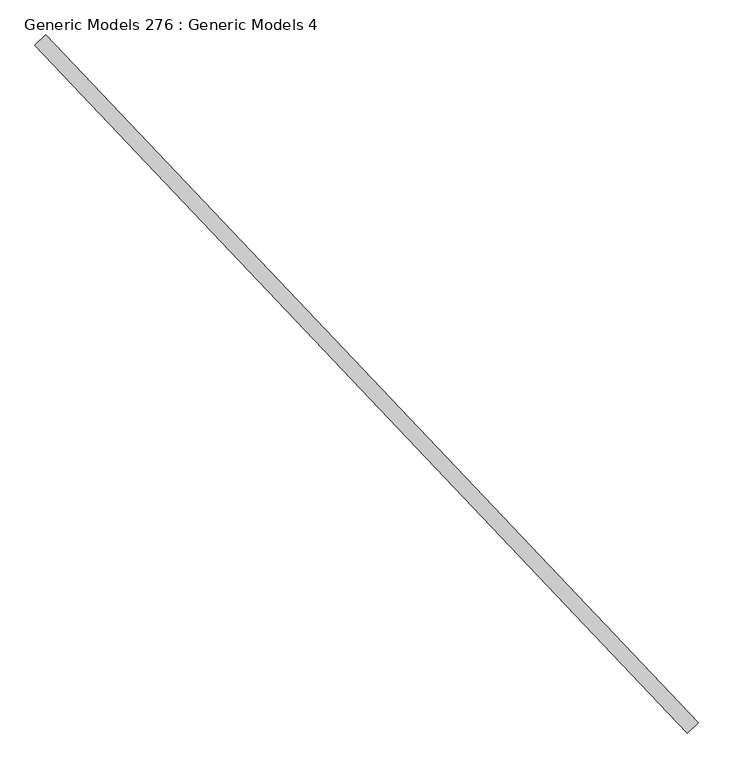
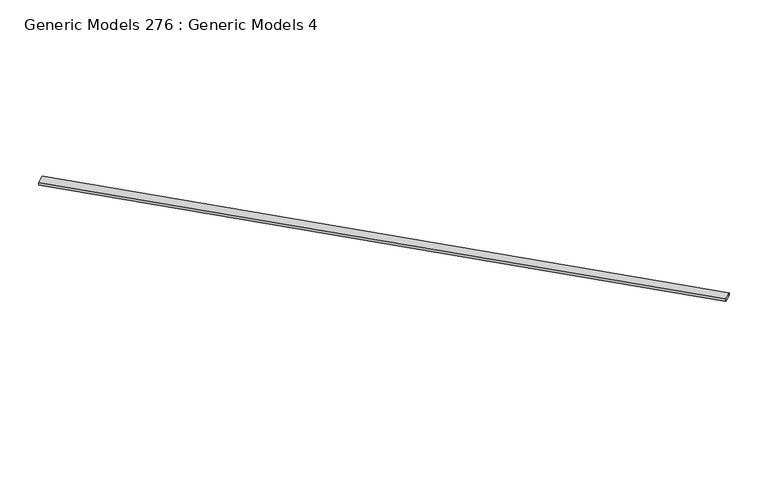
"""IFC4 building model written with IfcOpenShell, lengths in millimetres: proxy geometry, Generic Models 276 : Generic Models 4."""

import ifcopenshell
import ifcopenshell.guid

model = None  # the IFC model being written
_history = None  # IfcOwnerHistory: only IFC2X3 demands one
_inside = {}  # id of a spatial element -> (the spatial element, [elements in it])
_under = {}  # id of a project, library or spatial element -> (it, [spatial elements below it])
_declared = {}  # id of a project -> (the project, [libraries it declares])
_typed = {}  # id of a type object -> (the type object, [elements of that type])
_made_of = {}  # id of a material, layer set ... -> (it, [elements and type objects made of it])


def new_model(schema):
    """Start an empty IFC model of exactly this schema.

    Asked for "IFC4X3", IfcOpenShell would pick the latest addendum, in which some entities
    have other attributes; the version numbers below select the first issue.
    IFC2X3 requires an IfcOwnerHistory on every rooted entity: one is made here for all.
    """
    global model, _history
    if schema == "IFC4X3":
        model = ifcopenshell.file(schema_version=(4, 3, 0, 0))
    else:
        model = ifcopenshell.file(schema=schema)
    _inside.clear()
    _under.clear()
    _declared.clear()
    _typed.clear()
    _made_of.clear()
    _history = None
    if model.schema == "IFC2X3":
        org = make("IfcOrganization", Name="unknown")
        user = make(
            "IfcPersonAndOrganization",
            ThePerson=make("IfcPerson", FamilyName="unknown"),
            TheOrganization=org,
        )
        app = make(
            "IfcApplication",
            ApplicationDeveloper=org,
            Version="unknown",
            ApplicationFullName="unknown",
            ApplicationIdentifier="unknown",
        )
        _history = make(
            "IfcOwnerHistory",
            OwningUser=user,
            OwningApplication=app,
            ChangeAction="ADDED",
            CreationDate=0,
        )
    return model


def make(cls, **values):
    """One entity of the class cls with the attributes given. An attribute that is None is left unset."""
    return model.create_entity(
        cls, **{name: value for name, value in values.items() if value is not None}
    )


def rooted(cls, **values):
    """An entity with a GlobalId (a new one), such as an element, a storey or a relation."""
    return make(cls, GlobalId=ifcopenshell.guid.new(), OwnerHistory=_history, **values)


def si_unit(unit_type, name, prefix=None):
    """IfcSIUnit, for example si_unit("LENGTHUNIT", "METRE", prefix="MILLI")."""
    return make("IfcSIUnit", UnitType=unit_type, Prefix=prefix, Name=name)


def assignment(units):
    """IfcUnitAssignment: the units of a project."""
    return None if units is None else make("IfcUnitAssignment", Units=units)


def point(xyz):
    """IfcCartesianPoint."""
    return None if xyz is None else make("IfcCartesianPoint", Coordinates=xyz)


def direction(xyz):
    """IfcDirection."""
    return None if xyz is None else make("IfcDirection", DirectionRatios=xyz)


def frame(location, z_axis=None, x_axis=None):
    """IfcAxis2Placement3D, a coordinate frame: its origin and axes. An axis left out is left unset."""
    return make(
        "IfcAxis2Placement3D",
        Location=point(location),
        Axis=direction(z_axis),
        RefDirection=direction(x_axis),
    )


def origin():
    """The frame at (0, 0, 0) with its axes left unset."""
    return frame((0.0, 0.0, 0.0))


def place(relative_to, where):
    """IfcLocalPlacement: puts the frame where relative to a parent placement (None: the world)."""
    return make(
        "IfcLocalPlacement", PlacementRelTo=relative_to, RelativePlacement=where
    )


def context(
    kind, dimensions, precision=None, world=None, true_north=None, identifier=None
):
    """IfcGeometricRepresentationContext, for example the 3D "Model" context."""
    return make(
        "IfcGeometricRepresentationContext",
        ContextIdentifier=identifier,
        ContextType=kind,
        CoordinateSpaceDimension=dimensions,
        Precision=precision,
        WorldCoordinateSystem=world,
        TrueNorth=true_north,
    )


def project(units=None, contexts=None):
    """IfcProject with its units and contexts."""
    return rooted(
        "IfcProject",
        Name="project",
        RepresentationContexts=contexts,
        UnitsInContext=assignment(units),
    )


def spatial(cls, under=None, at=None, **own):
    """A site, building, storey or space (cls), placed at a placement, below another one or the project."""
    s = rooted(cls, ObjectPlacement=at, **own)
    if under is not None:
        _under.setdefault(under.id(), (under, []))[1].append(s)
    return s


def polyline(points):
    """IfcPolyline through the points."""
    return make("IfcPolyline", Points=[point(p) for p in points])


def outline(outer, holes=None, kind="AREA"):
    """IfcArbitraryClosedProfileDef: a profile drawn as a closed curve; with holes, ...WithVoids."""
    if holes is None:
        return make("IfcArbitraryClosedProfileDef", ProfileType=kind, OuterCurve=outer)
    return make(
        "IfcArbitraryProfileDefWithVoids",
        ProfileType=kind,
        OuterCurve=outer,
        InnerCurves=holes,
    )


def extrude(swept, where, along, depth):
    """IfcExtrudedAreaSolid: the profile swept, set in the frame where, extruded along a direction by depth."""
    return make(
        "IfcExtrudedAreaSolid",
        SweptArea=swept,
        Position=where,
        ExtrudedDirection=direction(along),
        Depth=depth,
    )


def shape(context_of_items, identifier, shape_type, items):
    """IfcShapeRepresentation: the items that make up one representation, for example the "Body"."""
    return make(
        "IfcShapeRepresentation",
        ContextOfItems=context_of_items,
        RepresentationIdentifier=identifier,
        RepresentationType=shape_type,
        Items=items,
    )


def source(mapping_origin, context_of_items, identifier, shape_type, items):
    """IfcRepresentationMap: a shape defined once, which mapped items show again and again."""
    return make(
        "IfcRepresentationMap",
        MappingOrigin=mapping_origin,
        MappedRepresentation=shape(context_of_items, identifier, shape_type, items),
    )


def transform(
    local_origin,
    x_axis=None,
    y_axis=None,
    z_axis=None,
    scale=None,
    scale2=None,
    scale3=None,
    uniform=True,
):
    """IfcCartesianTransformationOperator3D, or its non-uniform kind. x_axis, y_axis, z_axis: its Axis1, 2, 3."""
    if uniform:
        return make(
            "IfcCartesianTransformationOperator3D",
            Axis1=direction(x_axis),
            Axis2=direction(y_axis),
            LocalOrigin=point(local_origin),
            Scale=scale,
            Axis3=direction(z_axis),
        )
    return make(
        "IfcCartesianTransformationOperator3DnonUniform",
        Axis1=direction(x_axis),
        Axis2=direction(y_axis),
        LocalOrigin=point(local_origin),
        Scale=scale,
        Axis3=direction(z_axis),
        Scale2=scale2,
        Scale3=scale3,
    )


def mapped(mapping_source, mapping_target):
    """IfcMappedItem: shows the shape of a source again, moved by a transform."""
    return make(
        "IfcMappedItem", MappingSource=mapping_source, MappingTarget=mapping_target
    )


def made_of(thing, what):
    """Note that an element or type object is made of a material, layer set ...; save() writes the relation."""
    if what is not None:
        _made_of.setdefault(what.id(), (what, []))[1].append(thing)
    return thing


def element(
    cls,
    number,
    at=None,
    inside=None,
    cuts=None,
    type_object=None,
    material=None,
    context=None,
    identifier="Body",
    shape_type=None,
    held_by="IfcProductDefinitionShape",
    body=None,
    shapes=None,
    **own,
):
    """One element of the class cls, such as IfcWall. Its Tag is "e" and its number.

    at: its placement. inside: the storey or other place that contains it. cuts: it is an
    opening in that element (IfcRelVoidsElement). A single representation is given by context,
    identifier, shape_type and body (its items); several are given by shapes. held_by: the class
    of the entity that holds the representations. save() writes the other relations.
    """
    e = rooted(cls, Tag="e%d" % number, ObjectPlacement=at, **own)
    if body is not None:
        shapes = [shape(context, identifier, shape_type, body)]
    if shapes is not None:
        e.Representation = make(held_by, Representations=shapes)
    if inside is not None:
        _inside.setdefault(inside.id(), (inside, []))[1].append(e)
    if cuts is not None:
        rooted(
            "IfcRelVoidsElement", RelatingBuildingElement=cuts, RelatedOpeningElement=e
        )
    if type_object is not None:
        _typed.setdefault(type_object.id(), (type_object, []))[1].append(e)
    return made_of(e, material)


def aggregate(whole, parts):
    """IfcRelAggregates: a whole, such as a stair, and the parts it consists of."""
    return rooted("IfcRelAggregates", RelatingObject=whole, RelatedObjects=parts)


def save(model, path):
    """Write the relations noted so far, then the file.

    IfcRelAggregates (storeys below a building ...), IfcRelContainedInSpatialStructure (elements
    in a storey), IfcRelDefinesByType, IfcRelAssociatesMaterial and IfcRelDeclares: one each for
    every whole, place, type object, material and project.
    """
    for whole, parts in _under.values():
        aggregate(whole, parts)
    for where, things in _inside.values():
        rooted(
            "IfcRelContainedInSpatialStructure",
            RelatedElements=things,
            RelatingStructure=where,
        )
    for kind, things in _typed.values():
        rooted("IfcRelDefinesByType", RelatedObjects=things, RelatingType=kind)
    for what, things in _made_of.values():
        rooted("IfcRelAssociatesMaterial", RelatedObjects=things, RelatingMaterial=what)
    for by, libraries in _declared.values():
        rooted("IfcRelDeclares", RelatingContext=by, RelatedDefinitions=libraries)
    model.write(path)


def generic_models_276_generic_models_4_0c07020f(model_context):
    return source(origin(), model_context, "Body", "SweptSolid", [
        extrude(outline(polyline([(113596.2194987, 53854.1304982), (113494.8846991, 53757.967364), (107414.7519851, 60165.090377), (107516.0867848, 60261.2535112), (113596.2194987, 53854.1304982)])), frame((0.0, 0.0, 17197.9497402), z_axis=(0.0, 0.0, 1.0), x_axis=(1.0, 0.0, 0.0)), (0.0, 0.0, 1.0), 38.1),
    ])


if __name__ == "__main__":
    model = new_model("IFC4")
    model_context = context("Model", 3, world=origin())
    ifc_project = project(units=[si_unit("LENGTHUNIT", "METRE", prefix="MILLI")], contexts=[model_context])
    site = spatial("IfcSite", under=ifc_project)
    building = spatial("IfcBuilding", under=site)
    placement = place(None, origin())
    generic_models_276_generic_models_4_shape = generic_models_276_generic_models_4_0c07020f(model_context)
    element("IfcBuildingElementProxy", 1, Name="Generic Models 276 : Generic Models 4", ObjectType="Generic Models 276 : Generic Models 4", at=placement, inside=building, context=model_context, shape_type="MappedRepresentation", body=[
        mapped(generic_models_276_generic_models_4_shape, transform((0.0, 0.0, 0.0), x_axis=(1.0, 0.0, 0.0), y_axis=(0.0, 1.0, 0.0), z_axis=(0.0, 0.0, 1.0))),
    ])
    save(model, "model.ifc")
